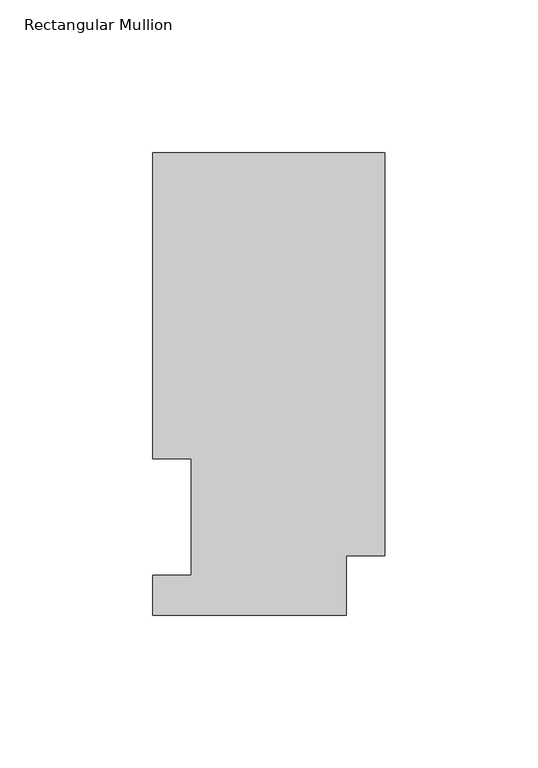
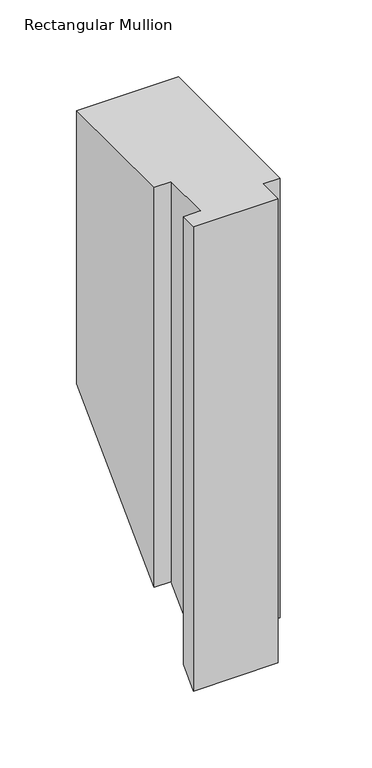
"""IFC4 building model written with IfcOpenShell, lengths in millimetres: member geometry, Rectangular Mullion."""

from ifc_helpers import new_model, si_unit, origin, place, context, project, spatial, faceted_brep, source, transform, mapped, element, save


def rectangular_mullion_696aee8a(model_context):
    return source(origin(), model_context, "Body", "Brep", [
        faceted_brep([(-76.2, 51.2960938, 0.0), (-63.5, 51.2960938, 0.0), (-63.5, 13.1960937, 0.0), (-76.2, 13.1960937, 0.0), (-76.2, 0.0134937, 0.0), (-12.7, 0.0134937, 0.0), (-12.7, 19.5455957, 0.0), (0.0, 19.5455957, 0.0), (0.0, 151.7022937, 0.0), (-76.2, 151.7022937, 0.0), (-76.2, 51.2960938, -317.0039062), (-63.5, 51.2960938, -317.0039062), (-63.5, 13.1960937, -355.1039062), (-76.2, 13.1960937, -355.1039062), (-76.2, 0.0134937, -368.2865062), (-12.7, 0.0134937, -368.2865062), (-12.7, 19.5455957, -348.7544043), (0.0, 19.5455957, -348.7544043), (0.0, 151.7022937, -216.5977062), (-76.2, 151.7022937, -216.5977062)], [[[0, 1, 2, 3, 4, 5, 6, 7, 8, 9]], [[1, 0, 10, 11]], [[2, 1, 11, 12]], [[3, 2, 12, 13]], [[4, 3, 13, 14]], [[5, 4, 14, 15]], [[6, 5, 15, 16]], [[7, 6, 16, 17]], [[8, 7, 17, 18]], [[9, 8, 18, 19]], [[0, 9, 19, 10]], [[10, 19, 18, 17, 16, 15, 14, 13, 12, 11]]]),
    ])


if __name__ == "__main__":
    model = new_model("IFC4")
    model_context = context("Model", 3, world=origin())
    ifc_project = project(units=[si_unit("LENGTHUNIT", "METRE", prefix="MILLI")], contexts=[model_context])
    site = spatial("IfcSite", under=ifc_project)
    building = spatial("IfcBuilding", under=site)
    placement = place(None, origin())
    rectangular_mullion_shape = rectangular_mullion_696aee8a(model_context)
    element("IfcMember", 1, ObjectType="Rectangular Mullion", at=placement, inside=building, context=model_context, shape_type="MappedRepresentation", body=[
        mapped(rectangular_mullion_shape, transform((0.0, 0.0, 0.0), x_axis=(1.0, 0.0, 0.0), y_axis=(0.0, 1.0, 0.0), z_axis=(0.0, 0.0, 1.0))),
    ])
    save(model, "model.ifc")
